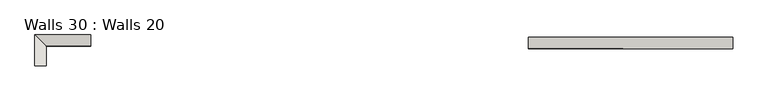
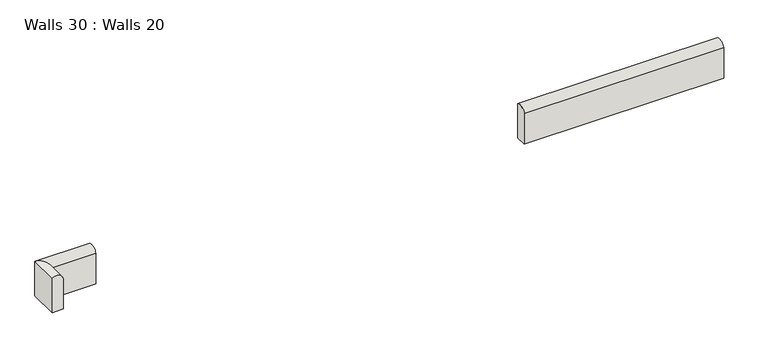
"""IFC4 building model written with IfcOpenShell, lengths in millimetres: wall geometry, Walls 30 : Walls 20."""

import ifcopenshell
import ifcopenshell.guid

model = None  # the IFC model being written
_history = None  # IfcOwnerHistory: only IFC2X3 demands one
_inside = {}  # id of a spatial element -> (the spatial element, [elements in it])
_under = {}  # id of a project, library or spatial element -> (it, [spatial elements below it])
_declared = {}  # id of a project -> (the project, [libraries it declares])
_typed = {}  # id of a type object -> (the type object, [elements of that type])
_made_of = {}  # id of a material, layer set ... -> (it, [elements and type objects made of it])


def new_model(schema):
    """Start an empty IFC model of exactly this schema.

    Asked for "IFC4X3", IfcOpenShell would pick the latest addendum, in which some entities
    have other attributes; the version numbers below select the first issue.
    IFC2X3 requires an IfcOwnerHistory on every rooted entity: one is made here for all.
    """
    global model, _history
    if schema == "IFC4X3":
        model = ifcopenshell.file(schema_version=(4, 3, 0, 0))
    else:
        model = ifcopenshell.file(schema=schema)
    _inside.clear()
    _under.clear()
    _declared.clear()
    _typed.clear()
    _made_of.clear()
    _history = None
    if model.schema == "IFC2X3":
        org = make("IfcOrganization", Name="unknown")
        user = make(
            "IfcPersonAndOrganization",
            ThePerson=make("IfcPerson", FamilyName="unknown"),
            TheOrganization=org,
        )
        app = make(
            "IfcApplication",
            ApplicationDeveloper=org,
            Version="unknown",
            ApplicationFullName="unknown",
            ApplicationIdentifier="unknown",
        )
        _history = make(
            "IfcOwnerHistory",
            OwningUser=user,
            OwningApplication=app,
            ChangeAction="ADDED",
            CreationDate=0,
        )
    return model


def make(cls, **values):
    """One entity of the class cls with the attributes given. An attribute that is None is left unset."""
    return model.create_entity(
        cls, **{name: value for name, value in values.items() if value is not None}
    )


def rooted(cls, **values):
    """An entity with a GlobalId (a new one), such as an element, a storey or a relation."""
    return make(cls, GlobalId=ifcopenshell.guid.new(), OwnerHistory=_history, **values)


def si_unit(unit_type, name, prefix=None):
    """IfcSIUnit, for example si_unit("LENGTHUNIT", "METRE", prefix="MILLI")."""
    return make("IfcSIUnit", UnitType=unit_type, Prefix=prefix, Name=name)


def assignment(units):
    """IfcUnitAssignment: the units of a project."""
    return None if units is None else make("IfcUnitAssignment", Units=units)


def point(xyz):
    """IfcCartesianPoint."""
    return None if xyz is None else make("IfcCartesianPoint", Coordinates=xyz)


def direction(xyz):
    """IfcDirection."""
    return None if xyz is None else make("IfcDirection", DirectionRatios=xyz)


def frame(location, z_axis=None, x_axis=None):
    """IfcAxis2Placement3D, a coordinate frame: its origin and axes. An axis left out is left unset."""
    return make(
        "IfcAxis2Placement3D",
        Location=point(location),
        Axis=direction(z_axis),
        RefDirection=direction(x_axis),
    )


def frame_2d(location, x_axis=None):
    """IfcAxis2Placement2D, a coordinate frame in the plane: its origin and x axis."""
    return make(
        "IfcAxis2Placement2D", Location=point(location), RefDirection=direction(x_axis)
    )


def origin():
    """The frame at (0, 0, 0) with its axes left unset."""
    return frame((0.0, 0.0, 0.0))


def place(relative_to, where):
    """IfcLocalPlacement: puts the frame where relative to a parent placement (None: the world)."""
    return make(
        "IfcLocalPlacement", PlacementRelTo=relative_to, RelativePlacement=where
    )


def context(
    kind, dimensions, precision=None, world=None, true_north=None, identifier=None
):
    """IfcGeometricRepresentationContext, for example the 3D "Model" context."""
    return make(
        "IfcGeometricRepresentationContext",
        ContextIdentifier=identifier,
        ContextType=kind,
        CoordinateSpaceDimension=dimensions,
        Precision=precision,
        WorldCoordinateSystem=world,
        TrueNorth=true_north,
    )


def project(units=None, contexts=None):
    """IfcProject with its units and contexts."""
    return rooted(
        "IfcProject",
        Name="project",
        RepresentationContexts=contexts,
        UnitsInContext=assignment(units),
    )


def spatial(cls, under=None, at=None, **own):
    """A site, building, storey or space (cls), placed at a placement, below another one or the project."""
    s = rooted(cls, ObjectPlacement=at, **own)
    if under is not None:
        _under.setdefault(under.id(), (under, []))[1].append(s)
    return s


def polyline(points):
    """IfcPolyline through the points."""
    return make("IfcPolyline", Points=[point(p) for p in points])


def circle_curve(where, radius):
    """IfcCircle in the frame where."""
    return make("IfcCircle", Position=where, Radius=radius)


def ellipse_curve(where, semi_axis1, semi_axis2):
    """IfcEllipse in the frame where."""
    return make(
        "IfcEllipse", Position=where, SemiAxis1=semi_axis1, SemiAxis2=semi_axis2
    )


def trimmed(basis, trim1, trim2, sense, master):
    """IfcTrimmedCurve: the piece of a basis curve between two trims."""
    return make(
        "IfcTrimmedCurve",
        BasisCurve=basis,
        Trim1=trim1,
        Trim2=trim2,
        SenseAgreement=sense,
        MasterRepresentation=master,
    )


def segment(curve, same_sense, transition):
    """IfcCompositeCurveSegment."""
    return make(
        "IfcCompositeCurveSegment",
        Transition=transition,
        SameSense=same_sense,
        ParentCurve=curve,
    )


def composite_curve(segments, self_intersect=None):
    """IfcCompositeCurve: segments joined end to end."""
    return make("IfcCompositeCurve", Segments=segments, SelfIntersect=self_intersect)


def outline(outer, holes=None, kind="AREA"):
    """IfcArbitraryClosedProfileDef: a profile drawn as a closed curve; with holes, ...WithVoids."""
    if holes is None:
        return make("IfcArbitraryClosedProfileDef", ProfileType=kind, OuterCurve=outer)
    return make(
        "IfcArbitraryProfileDefWithVoids",
        ProfileType=kind,
        OuterCurve=outer,
        InnerCurves=holes,
    )


def extrude(swept, where, along, depth):
    """IfcExtrudedAreaSolid: the profile swept, set in the frame where, extruded along a direction by depth."""
    return make(
        "IfcExtrudedAreaSolid",
        SweptArea=swept,
        Position=where,
        ExtrudedDirection=direction(along),
        Depth=depth,
    )


def shape(context_of_items, identifier, shape_type, items):
    """IfcShapeRepresentation: the items that make up one representation, for example the "Body"."""
    return make(
        "IfcShapeRepresentation",
        ContextOfItems=context_of_items,
        RepresentationIdentifier=identifier,
        RepresentationType=shape_type,
        Items=items,
    )


def source(mapping_origin, context_of_items, identifier, shape_type, items):
    """IfcRepresentationMap: a shape defined once, which mapped items show again and again."""
    return make(
        "IfcRepresentationMap",
        MappingOrigin=mapping_origin,
        MappedRepresentation=shape(context_of_items, identifier, shape_type, items),
    )


def transform(
    local_origin,
    x_axis=None,
    y_axis=None,
    z_axis=None,
    scale=None,
    scale2=None,
    scale3=None,
    uniform=True,
):
    """IfcCartesianTransformationOperator3D, or its non-uniform kind. x_axis, y_axis, z_axis: its Axis1, 2, 3."""
    if uniform:
        return make(
            "IfcCartesianTransformationOperator3D",
            Axis1=direction(x_axis),
            Axis2=direction(y_axis),
            LocalOrigin=point(local_origin),
            Scale=scale,
            Axis3=direction(z_axis),
        )
    return make(
        "IfcCartesianTransformationOperator3DnonUniform",
        Axis1=direction(x_axis),
        Axis2=direction(y_axis),
        LocalOrigin=point(local_origin),
        Scale=scale,
        Axis3=direction(z_axis),
        Scale2=scale2,
        Scale3=scale3,
    )


def mapped(mapping_source, mapping_target):
    """IfcMappedItem: shows the shape of a source again, moved by a transform."""
    return make(
        "IfcMappedItem", MappingSource=mapping_source, MappingTarget=mapping_target
    )


def made_of(thing, what):
    """Note that an element or type object is made of a material, layer set ...; save() writes the relation."""
    if what is not None:
        _made_of.setdefault(what.id(), (what, []))[1].append(thing)
    return thing


def element(
    cls,
    number,
    at=None,
    inside=None,
    cuts=None,
    type_object=None,
    material=None,
    context=None,
    identifier="Body",
    shape_type=None,
    held_by="IfcProductDefinitionShape",
    body=None,
    shapes=None,
    **own,
):
    """One element of the class cls, such as IfcWall. Its Tag is "e" and its number.

    at: its placement. inside: the storey or other place that contains it. cuts: it is an
    opening in that element (IfcRelVoidsElement). A single representation is given by context,
    identifier, shape_type and body (its items); several are given by shapes. held_by: the class
    of the entity that holds the representations. save() writes the other relations.
    """
    e = rooted(cls, Tag="e%d" % number, ObjectPlacement=at, **own)
    if body is not None:
        shapes = [shape(context, identifier, shape_type, body)]
    if shapes is not None:
        e.Representation = make(held_by, Representations=shapes)
    if inside is not None:
        _inside.setdefault(inside.id(), (inside, []))[1].append(e)
    if cuts is not None:
        rooted(
            "IfcRelVoidsElement", RelatingBuildingElement=cuts, RelatedOpeningElement=e
        )
    if type_object is not None:
        _typed.setdefault(type_object.id(), (type_object, []))[1].append(e)
    return made_of(e, material)


def aggregate(whole, parts):
    """IfcRelAggregates: a whole, such as a stair, and the parts it consists of."""
    return rooted("IfcRelAggregates", RelatingObject=whole, RelatedObjects=parts)


def save(model, path):
    """Write the relations noted so far, then the file.

    IfcRelAggregates (storeys below a building ...), IfcRelContainedInSpatialStructure (elements
    in a storey), IfcRelDefinesByType, IfcRelAssociatesMaterial and IfcRelDeclares: one each for
    every whole, place, type object, material and project.
    """
    for whole, parts in _under.values():
        aggregate(whole, parts)
    for where, things in _inside.values():
        rooted(
            "IfcRelContainedInSpatialStructure",
            RelatedElements=things,
            RelatingStructure=where,
        )
    for kind, things in _typed.values():
        rooted("IfcRelDefinesByType", RelatedObjects=things, RelatingType=kind)
    for what, things in _made_of.values():
        rooted("IfcRelAssociatesMaterial", RelatedObjects=things, RelatingMaterial=what)
    for by, libraries in _declared.values():
        rooted("IfcRelDeclares", RelatingContext=by, RelatedDefinitions=libraries)
    model.write(path)


def plane_surface(at):
    """IfcPlane: the flat surface through the origin of the frame at, square to its z axis."""
    return make("IfcPlane", Position=at)


def cylinder_surface(at, radius):
    """IfcCylindricalSurface: all points at the distance radius from the z axis of the frame at."""
    return make("IfcCylindricalSurface", Position=at, Radius=radius)


def advanced_brep(points, edges, surfaces, faces):
    """IfcAdvancedBrep: a solid bounded by faces that lie on surfaces and meet in shared edges.

    An edge is (start, end): straight between two places in points (the first is 0);
    or (start, end, curve); or (start, end, curve, False) where it runs against its curve.
    A face is (place in surfaces, loops), or (place, loops, False) where it looks against
    its surface's normal. A loop lists edges by number (the first is 1), with a minus sign
    where the edge is run from its end to its start. The first loop is the outer one.
    """
    corners = [point(p) for p in points]
    vertices = [make("IfcVertexPoint", VertexGeometry=c) for c in corners]
    made = []
    for start, end, *more in edges:
        made.append(
            make(
                "IfcEdgeCurve",
                EdgeStart=vertices[start],
                EdgeEnd=vertices[end],
                EdgeGeometry=more[0] if more else make("IfcPolyline", Points=[corners[start], corners[end]]),
                SameSense=more[1] if len(more) > 1 else True,
            )
        )
    hull = []
    for where, loops, *sense in faces:
        bounds = []
        for j, loop in enumerate(loops):
            ring = [make("IfcOrientedEdge", EdgeElement=made[abs(k) - 1], Orientation=k > 0) for k in loop]
            bounds.append(
                make(
                    "IfcFaceOuterBound" if j == 0 else "IfcFaceBound",
                    Bound=make("IfcEdgeLoop", EdgeList=ring),
                    Orientation=True,
                )
            )
        hull.append(make("IfcAdvancedFace", Bounds=bounds, FaceSurface=surfaces[where], SameSense=sense[0] if sense else True))
    return make("IfcAdvancedBrep", Outer=make("IfcClosedShell", CfsFaces=hull))


def walls_30_walls_20_9edd0a37(model_context):
    return source(origin(), model_context, "Body", "SolidModel", [
        extrude(outline(composite_curve([segment(polyline([(44.799079, -0.8489211), (44.799079, 21.496535), (109.5961042, 21.496535)]), True, "CONTINUOUS"), segment(trimmed(circle_curve(frame_2d((106.2788206, 7.4395167)), 14.4431345), [point((109.5961042, 21.496535))], [point((118.1039622, -0.8532608))], False, "CARTESIAN"), True, "CONTINUOUS"), segment(polyline([(118.1039622, -0.8532608), (44.799079, -0.8489211)]), True, "CONTINUOUS")], self_intersect=False)), frame((-45757.5899283, 48273.0578917, 110768.9252263), z_axis=(0.9999998543271534, 0.0005397576897571088, 2.703397443413931e-06), x_axis=(-4.011209301161101e-06, 0.0024229746677737916, 0.9999970645845264)), (0.0, 0.0, 1.0), 402.7733494),
        advanced_brep(
        [(-46730.8561739, 48218.5654358, 110814.0328091), (-46708.5107178, 48218.5654359, 110814.0328987), (-46708.5109777, 48218.7224375, 110878.8297336), (-46730.8608077, 48218.7430517, 110887.337477), (-46620.8430768, 48279.0218132, 110813.8867657), (-46620.8433708, 48279.2037688, 110887.1914231), (-46620.8433368, 48256.8334243, 110878.737743), (-46620.8430769, 48256.6764227, 110813.9409081), (-46730.8561736, 48279.0218127, 110813.8863244), (-46708.5107176, 48256.6764223, 110813.9405565), (-46708.5109776, 48256.8334239, 110878.7373914), (-46730.8608074, 48279.2037683, 110887.1909818)],
        [
            (0, 1),
            (1, 2),
            (2, 3, circle_curve(frame((-46722.5679827, 48218.7143997, 110875.5124034), z_axis=(-4.859634121952702e-09, -0.9999970645925713, 0.0024229746677737916), x_axis=(-0.9999999999919551, -4.859438666944457e-09, -4.0112093013978924e-06)), 14.4431345)),
            (3, 0),
            (4, 5),
            (5, 6, circle_curve(frame((-46620.8433234, 48270.8823636, 110875.3864094), z_axis=(0.9999999999919551, 4.859344404431902e-09, 4.011209360962129e-06), x_axis=(4.8597285292871515e-09, 0.999997064592571, -0.0024229746679672384)), 14.4431345)),
            (6, 7),
            (7, 4),
            (0, 8),
            (8, 4),
            (7, 9),
            (9, 1),
            (9, 10),
            (10, 2),
            (10, 11, ellipse_curve(frame((-46722.5679825, 48270.8823631, 110875.3860014), z_axis=(-0.7071067846171726, -0.707104708976158, 0.0017104654648862558), x_axis=(0.7071067777445453, -0.7071047021039404, 0.0017161381715658842)), 20.4256766, 14.4431345)),
            (11, 3),
            (11, 8),
            (6, 10),
            (5, 11),
        ],
        [
            plane_surface(frame((-46730.0070731, 48218.4568888, 110769.2338649), z_axis=(-4.859634121952638e-09, -0.9999970645925713, 0.002422974667773791), x_axis=(-4.011209301161103e-06, 0.0024229746677737916, 0.9999970645845264))),
            plane_surface(frame((-46620.8428971, 48278.0643476, 110769.089875), z_axis=(0.9999999999919551, 4.8593444044330185e-09, 4.011209360962564e-06), x_axis=(-4.011209360497201e-06, 0.002422974667967239, 0.999997064584526))),
            plane_surface(frame((-46730.8561739, 48218.5654358, 110814.0328091), z_axis=(4.011209301160213e-06, -0.0024229746678443276, -0.9999970645845264), x_axis=(4.8596028974257355e-09, 0.9999970645925712, -0.0024229746678443268))),
            plane_surface(frame((-46708.5107178, 48218.5654359, 110814.0328987), z_axis=(0.9999999999919552, 4.85946654982531e-09, 4.011209301331515e-06), x_axis=(4.859606238686339e-09, 0.9999970645925716, -0.0024229746676973744))),
            cylinder_surface(frame((-46722.5679827, 48218.7143997, 110875.5124034), z_axis=(-4.859634121952702e-09, -0.9999970645925713, 0.0024229746677737916), x_axis=(-0.9999999999919551, -4.859438666944457e-09, -4.0112093013978924e-06)), 14.4431345),
            plane_surface(frame((-46730.8608077, 48218.7430517, 110887.337477), z_axis=(-0.9999999980020672, -1.4830348638258092e-07, -6.321268521559922e-05), x_axis=(4.859683929176838e-09, 0.9999970645925709, -0.002422974667956302))),
            plane_surface(frame((-46708.5107176, 48256.6764223, 110813.9405565), z_axis=(-4.859713069750043e-09, -0.9999970645925709, 0.0024229746679672397), x_axis=(0.9999999999919551, 4.859359599685983e-09, 4.011209251869928e-06))),
            cylinder_surface(frame((-46730.0074992, 48270.8823631, 110875.3859716), z_axis=(-0.9999999999919553, -4.859344404431903e-09, -4.01120936096213e-06), x_axis=(4.8597285292871515e-09, 0.999997064592571, -0.0024229746679672384)), 14.4431345),
            plane_surface(frame((-46730.8608074, 48279.2037683, 110887.1909818), z_axis=(5.097169106403185e-09, 0.999996919396061, -0.0024821761396422847), x_axis=(0.9999999999919551, 4.859373657737973e-09, 4.011209210853743e-06))),
        ],
        [
            (0, [[1, 2, 3, 4]]),
            (1, [[5, 6, 7, 8]]),
            (2, [[-1, 9, 10, -8, 11, 12]]),
            (3, [[-2, -12, 13, 14]]),
            (4, [[-3, -14, 15, 16]]),
            (5, [[-4, -16, 17, -9]]),
            (6, [[-13, -11, -7, 18]]),
            (7, [[-15, -18, -6, 19]]),
            (8, [[-17, -19, -5, -10]]),
        ],
    ),
    ])


if __name__ == "__main__":
    model = new_model("IFC4")
    model_context = context("Model", 3, world=origin())
    ifc_project = project(units=[si_unit("LENGTHUNIT", "METRE", prefix="MILLI")], contexts=[model_context])
    site = spatial("IfcSite", under=ifc_project)
    building = spatial("IfcBuilding", under=site)
    placement = place(None, origin())
    walls_30_walls_20_shape = walls_30_walls_20_9edd0a37(model_context)
    element("IfcWall", 1, ObjectType="Walls 30 : Walls 20", at=placement, inside=building, context=model_context, shape_type="MappedRepresentation", body=[
        mapped(walls_30_walls_20_shape, transform((0.0, 0.0, 0.0), x_axis=(1.0, 0.0, 0.0), y_axis=(0.0, 1.0, 0.0), z_axis=(0.0, 0.0, 1.0))),
    ])
    save(model, "model.ifc")
